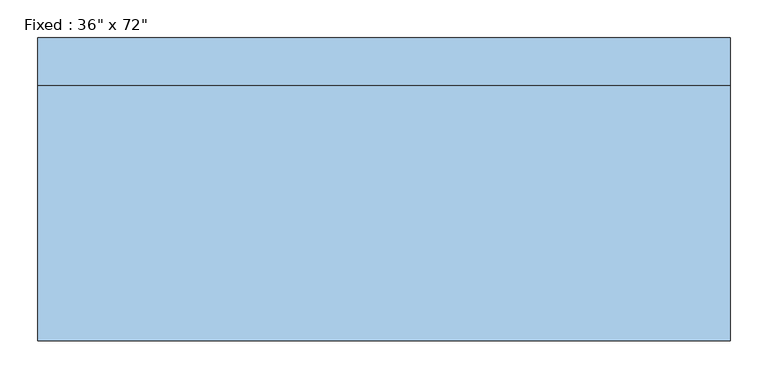
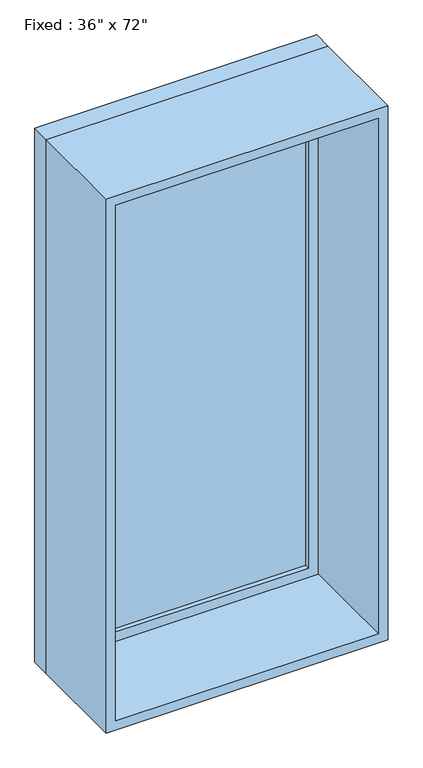
"""IFC4 building model written with IfcOpenShell, lengths in millimetres: window geometry."""

from ifc_helpers import new_model, si_unit, frame, origin, place, context, project, spatial, polyline, outline, extrude, source, transform, mapped, element, save


def window_7362a0e3(model_context):
    return source(origin(), model_context, "Body", "SweptSolid", [
        extrude(outline(polyline([(355.6, 152.375), (-431.8, 152.375), (-431.8, 165.075), (355.6, 165.075), (355.6, 152.375)])), frame((0.0, 0.0, 368.3), z_axis=(0.0, 0.0, 1.0), x_axis=(1.0, 0.0, 0.0)), (0.0, 0.0, 1.0), 1701.8),
        extrude(outline(polyline([(2114.55, -476.25), (323.85, -476.25), (323.85, 400.05), (2114.55, 400.05), (2114.55, -476.25)]), holes=[polyline([(2070.1, -431.8), (2070.1, 355.6), (368.3, 355.6), (368.3, -431.8), (2070.1, -431.8)])]), frame((0.0, 136.5, 0.0), z_axis=(0.0, 1.0, 0.0), x_axis=(0.0, 0.0, 1.0)), (0.0, 0.0, 1.0), 44.45),
        extrude(outline(polyline([(2133.6, -495.3), (304.8, -495.3), (304.8, 419.1), (2133.6, 419.1), (2133.6, -495.3)]), holes=[polyline([(2101.85, -463.55), (2101.85, 387.35), (336.55, 387.35), (336.55, -463.55), (2101.85, -463.55)])]), frame((0.0, -200.0, 0.0), z_axis=(0.0, 1.0, 0.0), x_axis=(0.0, 0.0, 1.0)), (0.0, 0.0, 1.0), 336.5),
        extrude(outline(polyline([(2133.6, 419.1), (2133.6, -495.3), (304.8, -495.3), (304.8, 419.1), (2133.6, 419.1)]), holes=[polyline([(2114.55, 400.05), (323.85, 400.05), (323.85, -476.25), (2114.55, -476.25), (2114.55, 400.05)])]), frame((0.0, 136.5, 0.0), z_axis=(0.0, 1.0, 0.0), x_axis=(0.0, 0.0, 1.0)), (0.0, 0.0, 1.0), 63.5),
    ])


if __name__ == "__main__":
    model = new_model("IFC4")
    model_context = context("Model", 3, world=origin())
    ifc_project = project(units=[si_unit("LENGTHUNIT", "METRE", prefix="MILLI")], contexts=[model_context])
    site = spatial("IfcSite", under=ifc_project)
    building = spatial("IfcBuilding", under=site)
    placement = place(None, origin())
    window_shape = window_7362a0e3(model_context)
    element("IfcWindow", 1, ObjectType="Fixed : 36\" x 72\"", at=placement, inside=building, context=model_context, shape_type="MappedRepresentation", body=[
        mapped(window_shape, transform((0.0, 0.0, 0.0), x_axis=(1.0, 0.0, 0.0), y_axis=(0.0, 1.0, 0.0), z_axis=(0.0, 0.0, 1.0))),
    ])
    save(model, "model.ifc")
